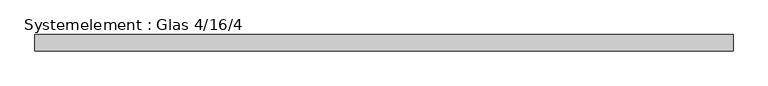
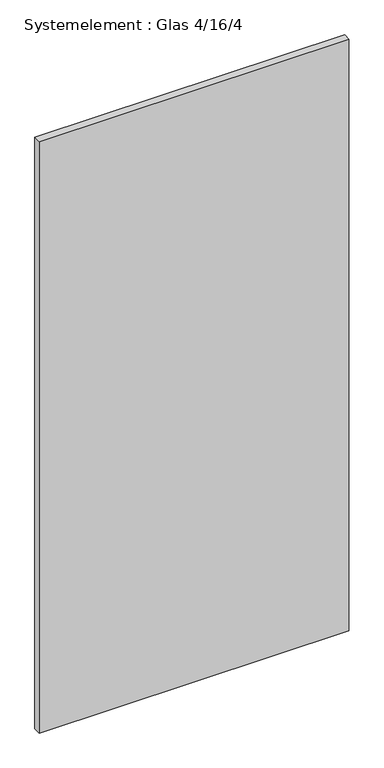
"""IFC4 building model written with IfcOpenShell, lengths in millimetres: plate geometry, Systemelement : Glas 4/16/4."""

from ifc_helpers import new_model, si_unit, origin, origin_with_axes, place, context, project, spatial, polyline, outline, extrude, source, transform, mapped, element, save


def systemelement_glas_4_16_4_9d65d77b(model_context):
    return source(origin(), model_context, "Body", "SweptSolid", [
        extrude(outline(polyline([(520.0, -12.0), (-520.0, -12.0), (-520.0, 12.0), (520.0, 12.0), (520.0, -12.0)])), origin_with_axes(), (0.0, 0.0, 1.0), 2100.0),
    ])


if __name__ == "__main__":
    model = new_model("IFC4")
    model_context = context("Model", 3, world=origin())
    ifc_project = project(units=[si_unit("LENGTHUNIT", "METRE", prefix="MILLI")], contexts=[model_context])
    site = spatial("IfcSite", under=ifc_project)
    building = spatial("IfcBuilding", under=site)
    placement = place(None, origin())
    systemelement_glas_4_16_4_shape = systemelement_glas_4_16_4_9d65d77b(model_context)
    element("IfcPlate", 1, ObjectType="Systemelement : Glas 4/16/4", at=placement, inside=building, context=model_context, shape_type="MappedRepresentation", body=[
        mapped(systemelement_glas_4_16_4_shape, transform((0.0, 0.0, 0.0), x_axis=(1.0, 0.0, 0.0), y_axis=(0.0, 1.0, 0.0), z_axis=(0.0, 0.0, 1.0))),
    ])
    save(model, "model.ifc")
